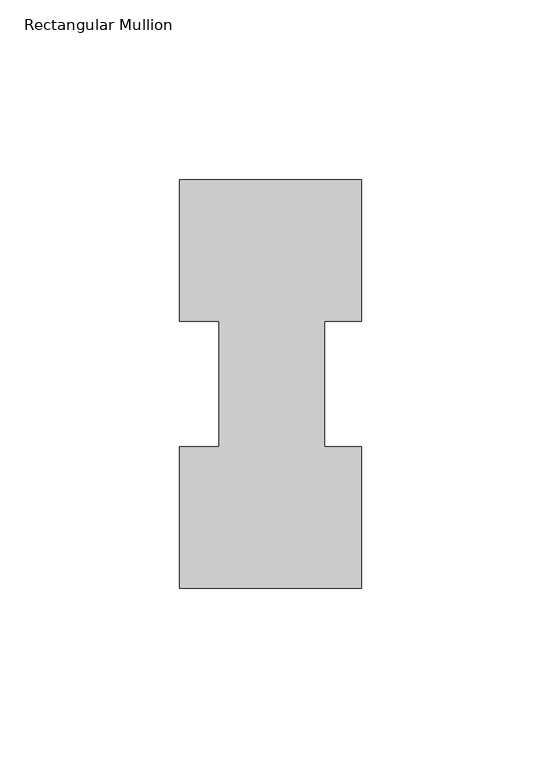
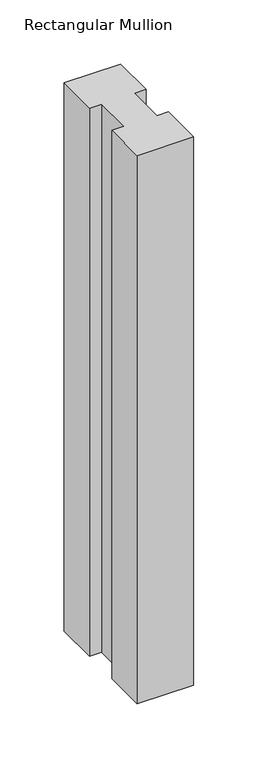
"""IFC4 building model written with IfcOpenShell, lengths in millimetres: member geometry, Rectangular Mullion."""

from ifc_helpers import new_model, si_unit, frame, origin, place, context, project, spatial, polyline, outline, extrude, source, transform, mapped, element, save


def rectangular_mullion_027761b2(model_context):
    return source(origin(), model_context, "Body", "SweptSolid", [
        extrude(outline(polyline([(-50.8, 114.017425), (0.0, 114.017425), (0.0, 74.596625), (-10.3124, 74.596625), (-10.3124, 39.646225), (0.0, 39.646225), (0.0, 0.225425), (-50.8, 0.225425), (-50.8, 39.646225), (-39.6875, 39.646225), (-39.6875, 74.596625), (-50.8, 74.596625), (-50.8, 114.017425)])), frame((0.0, 0.0, -520.7), z_axis=(0.0, 0.0, 1.0), x_axis=(1.0, 0.0, 0.0)), (0.0, 0.0, 1.0), 520.7),
    ])


if __name__ == "__main__":
    model = new_model("IFC4")
    model_context = context("Model", 3, world=origin())
    ifc_project = project(units=[si_unit("LENGTHUNIT", "METRE", prefix="MILLI")], contexts=[model_context])
    site = spatial("IfcSite", under=ifc_project)
    building = spatial("IfcBuilding", under=site)
    placement = place(None, origin())
    rectangular_mullion_shape = rectangular_mullion_027761b2(model_context)
    element("IfcMember", 1, ObjectType="Rectangular Mullion", at=placement, inside=building, context=model_context, shape_type="MappedRepresentation", body=[
        mapped(rectangular_mullion_shape, transform((0.0, 0.0, 0.0), x_axis=(1.0, 0.0, 0.0), y_axis=(0.0, 1.0, 0.0), z_axis=(0.0, 0.0, 1.0))),
    ])
    save(model, "model.ifc")
